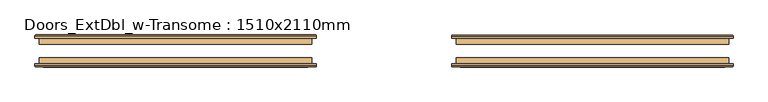
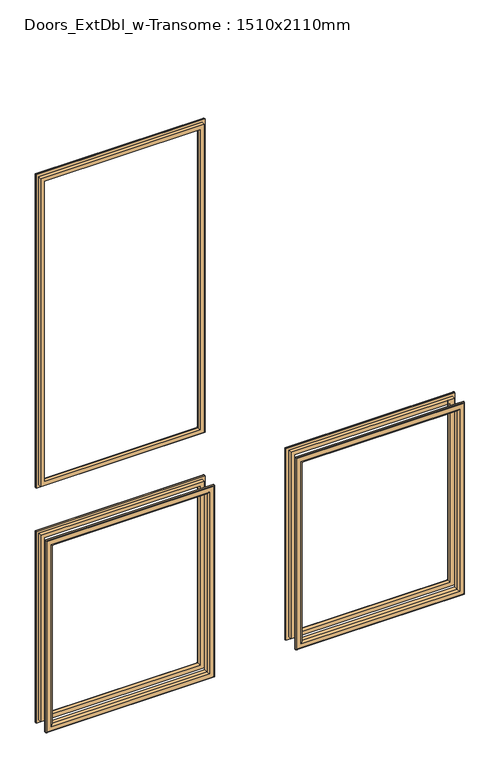
"""IFC4 building model written with IfcOpenShell, lengths in millimetres: door geometry, Doors_ExtDbl_w-Transome : 1510x2110mm."""

from ifc_helpers import new_model, si_unit, frame, origin, place, context, project, spatial, ellipse_curve, source, transform, mapped, element, save
from ifc_brep_helpers import plane_surface, cylinder_surface, advanced_brep


def doors_extdbl_w_transome_1510x2110mm_a8e07d12(model_context):
    return source(origin(), model_context, "Body", "AdvancedBrep", [
        advanced_brep(
        [(-611.5, 89.05, 950.5), (-611.5, 85.05, 950.5), (-611.5, 85.05, 1916.5), (-611.5, 89.05, 1916.5), (-609.5, 91.05, 952.5), (-609.5, 91.05, 1914.5), (-591.5, 86.05, 970.5), (-596.5, 91.05, 965.5), (-596.5, 91.05, 1901.5), (-591.5, 86.05, 1896.5), (-591.5, 75.05, 970.5), (-591.5, 75.05, 1896.5), (-603.5, 85.05, 958.5), (-603.5, 75.05, 958.5), (-603.5, 75.05, 1908.5), (-603.5, 85.05, 1908.5), (-118.5, 85.05, 1916.5), (-118.5, 89.05, 1916.5), (-120.5, 91.05, 1914.5), (-133.5, 91.05, 1901.5), (-138.5, 86.05, 1896.5), (-138.5, 75.05, 1896.5), (-126.5, 75.05, 1908.5), (-126.5, 85.05, 1908.5), (-118.5, 85.05, 950.5), (-118.5, 89.05, 950.5), (-120.5, 91.05, 952.5), (-133.5, 91.05, 965.5), (-138.5, 86.05, 970.5), (-138.5, 75.05, 970.5), (-126.5, 75.05, 958.5), (-126.5, 85.05, 958.5)],
        [
            (0, 1),
            (1, 2),
            (2, 3),
            (3, 0),
            (4, 0, ellipse_curve(frame((-609.5, 89.05, 952.5), z_axis=(-0.7071067811865472, 0.0, 0.7071067811865477), x_axis=(-0.7071067811865477, 0.0, -0.7071067811865475)), 2.8284271, 2.0)),
            (3, 5, ellipse_curve(frame((-609.5, 89.05, 1914.5), z_axis=(-0.7071067811865475, 0.0, -0.7071067811865475), x_axis=(0.7071067811865474, 0.0, -0.7071067811865476)), 2.8284271, 2.0)),
            (5, 4),
            (6, 7, ellipse_curve(frame((-596.5, 86.05, 965.5), z_axis=(-0.7071067811865472, 0.0, 0.7071067811865477), x_axis=(-0.7071067811865477, 0.0, -0.7071067811865475)), 7.0710678, 5.0)),
            (7, 8),
            (8, 9, ellipse_curve(frame((-596.5, 86.05, 1901.5), z_axis=(-0.7071067811865475, 0.0, -0.7071067811865475), x_axis=(0.7071067811865474, 0.0, -0.7071067811865476)), 7.0710678, 5.0)),
            (9, 6),
            (10, 6),
            (9, 11),
            (11, 10),
            (12, 13),
            (13, 14),
            (14, 15),
            (15, 12),
            (2, 16),
            (16, 17),
            (17, 3),
            (17, 18, ellipse_curve(frame((-120.5, 89.05, 1914.5), z_axis=(-0.7071067811865475, 0.0, 0.7071067811865476), x_axis=(-0.7071067811865476, 0.0, -0.7071067811865475)), 2.8284271, 2.0)),
            (18, 5),
            (8, 19),
            (19, 20, ellipse_curve(frame((-133.5, 86.05, 1901.5), z_axis=(-0.7071067811865475, 0.0, 0.7071067811865476), x_axis=(-0.7071067811865476, 0.0, -0.7071067811865475)), 7.0710678, 5.0)),
            (20, 9),
            (20, 21),
            (21, 11),
            (14, 22),
            (22, 23),
            (23, 15),
            (16, 24),
            (24, 25),
            (25, 17),
            (25, 26, ellipse_curve(frame((-120.5, 89.05, 952.5), z_axis=(0.7071067811865477, 0.0, 0.7071067811865471), x_axis=(-0.707106781186547, 0.0, 0.7071067811865481)), 2.8284271, 2.0)),
            (26, 18),
            (19, 27),
            (27, 28, ellipse_curve(frame((-133.5, 86.05, 965.5), z_axis=(0.7071067811865477, 0.0, 0.7071067811865471), x_axis=(-0.707106781186547, 0.0, 0.7071067811865481)), 7.0710678, 5.0)),
            (28, 20),
            (28, 29),
            (29, 21),
            (22, 30),
            (30, 31),
            (31, 23),
            (24, 1),
            (0, 25),
            (4, 26),
            (7, 27),
            (6, 28),
            (10, 29),
            (13, 30),
            (12, 31),
        ],
        [
            plane_surface(frame((-611.5, 85.05, 950.5), z_axis=(-1.0, 0.0, 0.0), x_axis=(0.0, 0.0, 1.0))),
            cylinder_surface(frame((-609.5, 89.05, 958.5), z_axis=(0.0, 0.0, -1.0), x_axis=(-1.0, 0.0, 0.0)), 2.0),
            cylinder_surface(frame((-596.5, 86.05, 958.5), z_axis=(0.0, 0.0, -1.0), x_axis=(-1.0, 0.0, 0.0)), 5.0),
            plane_surface(frame((-591.5, 86.05, 970.5), z_axis=(1.0, 0.0, 0.0), x_axis=(0.0, 0.0, 1.0))),
            plane_surface(frame((-603.5, 75.05, 958.5), z_axis=(-1.0, 0.0, 0.0), x_axis=(0.0, 0.0, 1.0))),
            plane_surface(frame((-611.5, 85.05, 1916.5), z_axis=(0.0, 0.0, 1.0), x_axis=(1.0, 0.0, 0.0))),
            cylinder_surface(frame((-603.5, 89.05, 1914.5), z_axis=(-1.0, 0.0, 0.0), x_axis=(0.0, 0.0, 1.0)), 2.0),
            cylinder_surface(frame((-603.5, 86.05, 1901.5), z_axis=(-1.0, 0.0, 0.0), x_axis=(0.0, 0.0, 1.0)), 5.0),
            plane_surface(frame((-591.5, 86.05, 1896.5), z_axis=(0.0, 0.0, -1.0), x_axis=(1.0, 0.0, 0.0))),
            plane_surface(frame((-603.5, 75.05, 1908.5), z_axis=(0.0, 0.0, 1.0), x_axis=(1.0, 0.0, 0.0))),
            plane_surface(frame((-118.5, 85.05, 1916.5), z_axis=(1.0, 0.0, 0.0), x_axis=(0.0, 0.0, -1.0))),
            cylinder_surface(frame((-120.5, 89.05, 1908.5), z_axis=(0.0, 0.0, 1.0), x_axis=(1.0, 0.0, 0.0)), 2.0),
            cylinder_surface(frame((-133.5, 86.05, 1908.5), z_axis=(0.0, 0.0, 1.0), x_axis=(1.0, 0.0, 0.0)), 5.0),
            plane_surface(frame((-138.5, 86.05, 1896.5), z_axis=(-1.0, 0.0, 0.0), x_axis=(0.0, 0.0, -1.0))),
            plane_surface(frame((-126.5, 75.05, 1908.5), z_axis=(1.0, 0.0, 0.0), x_axis=(0.0, 0.0, -1.0))),
            plane_surface(frame((-118.5, 85.05, 950.5), z_axis=(0.0, 0.0, -1.0), x_axis=(-1.0, 0.0, 0.0))),
            cylinder_surface(frame((-126.5, 89.05, 952.5), z_axis=(1.0, 0.0, 0.0), x_axis=(0.0, 0.0, -1.0)), 2.0),
            plane_surface(frame((-120.5, 91.05, 952.5), z_axis=(0.0, 1.0, 0.0), x_axis=(-1.0, 0.0, 0.0))),
            cylinder_surface(frame((-126.5, 86.05, 965.5), z_axis=(1.0, 0.0, 0.0), x_axis=(0.0, 0.0, -1.0)), 5.0),
            plane_surface(frame((-138.5, 86.05, 970.5), z_axis=(0.0, 0.0, 1.0), x_axis=(-1.0, 0.0, 0.0))),
            plane_surface(frame((-138.5, 75.05, 970.5), z_axis=(0.0, -1.0, 0.0), x_axis=(-1.0, 0.0, 0.0))),
            plane_surface(frame((-126.5, 75.05, 958.5), z_axis=(0.0, 0.0, -1.0), x_axis=(-1.0, 0.0, 0.0))),
            plane_surface(frame((-126.5, 85.05, 958.5), z_axis=(0.0, -1.0, 0.0), x_axis=(-1.0, 0.0, 0.0))),
        ],
        [
            (0, [[1, 2, 3, 4]]),
            (1, [[5, -4, 6, 7]]),
            (2, [[8, 9, 10, 11]]),
            (3, [[12, -11, 13, 14]]),
            (4, [[15, 16, 17, 18]]),
            (5, [[-3, 19, 20, 21]]),
            (6, [[-6, -21, 22, 23]]),
            (7, [[-10, 24, 25, 26]]),
            (8, [[-13, -26, 27, 28]]),
            (9, [[-17, 29, 30, 31]]),
            (10, [[-20, 32, 33, 34]]),
            (11, [[-22, -34, 35, 36]]),
            (12, [[-25, 37, 38, 39]]),
            (13, [[-27, -39, 40, 41]]),
            (14, [[-30, 42, 43, 44]]),
            (15, [[-33, 45, -1, 46]]),
            (16, [[-35, -46, -5, 47]]),
            (17, [[-23, -36, -47, -7], [48, -37, -24, -9]]),
            (18, [[-38, -48, -8, 49]]),
            (19, [[-40, -49, -12, 50]]),
            (20, [[51, -42, -29, -16], [-28, -41, -50, -14]]),
            (21, [[-43, -51, -15, 52]]),
            (22, [[-45, -32, -19, -2], [-31, -44, -52, -18]]),
        ],
    ),
        advanced_brep(
        [(126.5, 75.05, 808.5), (126.5, 85.05, 808.5), (126.5, 85.05, 233.5), (126.5, 75.05, 233.5), (138.5, 86.05, 796.5), (138.5, 75.05, 796.5), (138.5, 75.05, 245.5), (138.5, 86.05, 245.5), (133.5, 91.05, 801.5), (133.5, 91.05, 240.5), (118.5, 89.05, 816.5), (120.5, 91.05, 814.5), (120.5, 91.05, 227.5), (118.5, 89.05, 225.5), (118.5, 85.05, 816.5), (118.5, 85.05, 225.5), (603.5, 85.05, 233.5), (603.5, 75.05, 233.5), (591.5, 75.05, 245.5), (591.5, 86.05, 245.5), (596.5, 91.05, 240.5), (609.5, 91.05, 227.5), (611.5, 89.05, 225.5), (611.5, 85.05, 225.5), (603.5, 85.05, 808.5), (603.5, 75.05, 808.5), (591.5, 75.05, 796.5), (591.5, 86.05, 796.5), (596.5, 91.05, 801.5), (609.5, 91.05, 814.5), (611.5, 89.05, 816.5), (611.5, 85.05, 816.5)],
        [
            (0, 1),
            (1, 2),
            (2, 3),
            (3, 0),
            (4, 5),
            (5, 6),
            (6, 7),
            (7, 4),
            (8, 4, ellipse_curve(frame((133.5, 86.05, 801.5), z_axis=(-0.7071067811865475, 0.0, -0.7071067811865475), x_axis=(-0.7071067811865474, 0.0, 0.7071067811865476)), 7.0710678, 5.0)),
            (7, 9, ellipse_curve(frame((133.5, 86.05, 240.5), z_axis=(-0.7071067811865475, 0.0, 0.7071067811865476), x_axis=(0.7071067811865476, 0.0, 0.7071067811865475)), 7.0710678, 5.0)),
            (9, 8),
            (10, 11, ellipse_curve(frame((120.5, 89.05, 814.5), z_axis=(-0.7071067811865475, 0.0, -0.7071067811865475), x_axis=(-0.7071067811865474, 0.0, 0.7071067811865476)), 2.8284271, 2.0)),
            (11, 12),
            (12, 13, ellipse_curve(frame((120.5, 89.05, 227.5), z_axis=(-0.7071067811865475, 0.0, 0.7071067811865476), x_axis=(0.7071067811865476, 0.0, 0.7071067811865475)), 2.8284271, 2.0)),
            (13, 10),
            (14, 10),
            (13, 15),
            (15, 14),
            (2, 16),
            (16, 17),
            (17, 3),
            (6, 18),
            (18, 19),
            (19, 7),
            (19, 20, ellipse_curve(frame((596.5, 86.05, 240.5), z_axis=(-0.7071067811865476, 0.0, -0.7071067811865475), x_axis=(-0.7071067811865475, 0.0, 0.7071067811865476)), 7.0710678, 5.0)),
            (20, 9),
            (12, 21),
            (21, 22, ellipse_curve(frame((609.5, 89.05, 227.5), z_axis=(-0.7071067811865476, 0.0, -0.7071067811865475), x_axis=(-0.7071067811865475, 0.0, 0.7071067811865476)), 2.8284271, 2.0)),
            (22, 13),
            (22, 23),
            (23, 15),
            (16, 24),
            (24, 25),
            (25, 17),
            (18, 26),
            (26, 27),
            (27, 19),
            (27, 28, ellipse_curve(frame((596.5, 86.05, 801.5), z_axis=(0.7071067811865475, 0.0, -0.7071067811865475), x_axis=(-0.7071067811865474, 0.0, -0.7071067811865476)), 7.0710678, 5.0)),
            (28, 20),
            (21, 29),
            (29, 30, ellipse_curve(frame((609.5, 89.05, 814.5), z_axis=(0.7071067811865475, 0.0, -0.7071067811865475), x_axis=(-0.7071067811865474, 0.0, -0.7071067811865476)), 2.8284271, 2.0)),
            (30, 22),
            (30, 31),
            (31, 23),
            (31, 14),
            (1, 24),
            (0, 25),
            (5, 26),
            (4, 27),
            (8, 28),
            (11, 29),
            (10, 30),
        ],
        [
            plane_surface(frame((126.5, 85.05, 808.5), z_axis=(-1.0, 0.0, 0.0), x_axis=(0.0, 0.0, -1.0))),
            plane_surface(frame((138.5, 75.05, 796.5), z_axis=(1.0, 0.0, 0.0), x_axis=(0.0, 0.0, -1.0))),
            cylinder_surface(frame((133.5, 86.05, 808.5), z_axis=(0.0, 0.0, 1.0), x_axis=(-1.0, 0.0, 0.0)), 5.0),
            cylinder_surface(frame((120.5, 89.05, 808.5), z_axis=(0.0, 0.0, 1.0), x_axis=(-1.0, 0.0, 0.0)), 2.0),
            plane_surface(frame((118.5, 89.05, 816.5), z_axis=(-1.0, 0.0, 0.0), x_axis=(0.0, 0.0, -1.0))),
            plane_surface(frame((126.5, 85.05, 233.5), z_axis=(0.0, 0.0, -1.0), x_axis=(1.0, 0.0, 0.0))),
            plane_surface(frame((138.5, 75.05, 245.5), z_axis=(0.0, 0.0, 1.0), x_axis=(1.0, 0.0, 0.0))),
            cylinder_surface(frame((126.5, 86.05, 240.5), z_axis=(-1.0, 0.0, 0.0), x_axis=(0.0, 0.0, -1.0)), 5.0),
            cylinder_surface(frame((126.5, 89.05, 227.5), z_axis=(-1.0, 0.0, 0.0), x_axis=(0.0, 0.0, -1.0)), 2.0),
            plane_surface(frame((118.5, 89.05, 225.5), z_axis=(0.0, 0.0, -1.0), x_axis=(1.0, 0.0, 0.0))),
            plane_surface(frame((603.5, 85.05, 233.5), z_axis=(1.0, 0.0, 0.0), x_axis=(0.0, 0.0, 1.0))),
            plane_surface(frame((591.5, 75.05, 245.5), z_axis=(-1.0, 0.0, 0.0), x_axis=(0.0, 0.0, 1.0))),
            cylinder_surface(frame((596.5, 86.05, 233.5), z_axis=(0.0, 0.0, -1.0), x_axis=(1.0, 0.0, 0.0)), 5.0),
            cylinder_surface(frame((609.5, 89.05, 233.5), z_axis=(0.0, 0.0, -1.0), x_axis=(1.0, 0.0, 0.0)), 2.0),
            plane_surface(frame((611.5, 89.05, 225.5), z_axis=(1.0, 0.0, 0.0), x_axis=(0.0, 0.0, 1.0))),
            plane_surface(frame((611.5, 85.05, 816.5), z_axis=(0.0, -1.0, 0.0), x_axis=(-1.0, 0.0, 0.0))),
            plane_surface(frame((603.5, 85.05, 808.5), z_axis=(0.0, 0.0, 1.0), x_axis=(-1.0, 0.0, 0.0))),
            plane_surface(frame((603.5, 75.05, 808.5), z_axis=(0.0, -1.0, 0.0), x_axis=(-1.0, 0.0, 0.0))),
            plane_surface(frame((591.5, 75.05, 796.5), z_axis=(0.0, 0.0, -1.0), x_axis=(-1.0, 0.0, 0.0))),
            cylinder_surface(frame((603.5, 86.05, 801.5), z_axis=(1.0, 0.0, 0.0), x_axis=(0.0, 0.0, 1.0)), 5.0),
            plane_surface(frame((596.5, 91.05, 801.5), z_axis=(0.0, 1.0, 0.0), x_axis=(-1.0, 0.0, 0.0))),
            cylinder_surface(frame((603.5, 89.05, 814.5), z_axis=(1.0, 0.0, 0.0), x_axis=(0.0, 0.0, 1.0)), 2.0),
            plane_surface(frame((611.5, 89.05, 816.5), z_axis=(0.0, 0.0, 1.0), x_axis=(-1.0, 0.0, 0.0))),
        ],
        [
            (0, [[1, 2, 3, 4]]),
            (1, [[5, 6, 7, 8]]),
            (2, [[9, -8, 10, 11]]),
            (3, [[12, 13, 14, 15]]),
            (4, [[16, -15, 17, 18]]),
            (5, [[-3, 19, 20, 21]]),
            (6, [[-7, 22, 23, 24]]),
            (7, [[-10, -24, 25, 26]]),
            (8, [[-14, 27, 28, 29]]),
            (9, [[-17, -29, 30, 31]]),
            (10, [[-20, 32, 33, 34]]),
            (11, [[-23, 35, 36, 37]]),
            (12, [[-25, -37, 38, 39]]),
            (13, [[-28, 40, 41, 42]]),
            (14, [[-30, -42, 43, 44]]),
            (15, [[-31, -44, 45, -18], [46, -32, -19, -2]]),
            (16, [[-33, -46, -1, 47]]),
            (17, [[-21, -34, -47, -4], [48, -35, -22, -6]]),
            (18, [[-36, -48, -5, 49]]),
            (19, [[-38, -49, -9, 50]]),
            (20, [[51, -40, -27, -13], [-26, -39, -50, -11]]),
            (21, [[-41, -51, -12, 52]]),
            (22, [[-43, -52, -16, -45]]),
        ],
    ),
        advanced_brep(
        [(603.5, 51.05, 808.5), (603.5, 41.05, 808.5), (603.5, 41.05, 233.5), (603.5, 51.05, 233.5), (591.5, 40.05, 796.5), (591.5, 51.05, 796.5), (591.5, 51.05, 245.5), (591.5, 40.05, 245.5), (596.5, 35.05, 801.5), (596.5, 35.05, 240.5), (611.5, 37.05, 816.5), (609.5, 35.05, 814.5), (609.5, 35.05, 227.5), (611.5, 37.05, 225.5), (611.5, 41.05, 816.5), (611.5, 41.05, 225.5), (126.5, 41.05, 233.5), (126.5, 51.05, 233.5), (138.5, 51.05, 245.5), (138.5, 40.05, 245.5), (133.5, 35.05, 240.5), (120.5, 35.05, 227.5), (118.5, 37.05, 225.5), (118.5, 41.05, 225.5), (126.5, 41.05, 808.5), (126.5, 51.05, 808.5), (138.5, 51.05, 796.5), (138.5, 40.05, 796.5), (133.5, 35.05, 801.5), (120.5, 35.05, 814.5), (118.5, 37.05, 816.5), (118.5, 41.05, 816.5)],
        [
            (0, 1),
            (1, 2),
            (2, 3),
            (3, 0),
            (4, 5),
            (5, 6),
            (6, 7),
            (7, 4),
            (8, 4, ellipse_curve(frame((596.5, 40.05, 801.5), z_axis=(0.707106781186552, 0.0, -0.707106781186543), x_axis=(0.7071067811865429, 0.0, 0.707106781186552)), 7.0710678, 5.0)),
            (7, 9, ellipse_curve(frame((596.5, 40.05, 240.5), z_axis=(0.707106781186543, 0.0, 0.707106781186552), x_axis=(-0.707106781186552, 0.0, 0.707106781186543)), 7.0710678, 5.0)),
            (9, 8),
            (10, 11, ellipse_curve(frame((609.5, 37.05, 814.5), z_axis=(0.707106781186552, 0.0, -0.707106781186543), x_axis=(0.7071067811865429, 0.0, 0.707106781186552)), 2.8284271, 2.0)),
            (11, 12),
            (12, 13, ellipse_curve(frame((609.5, 37.05, 227.5), z_axis=(0.707106781186543, 0.0, 0.707106781186552), x_axis=(-0.707106781186552, 0.0, 0.707106781186543)), 2.8284271, 2.0)),
            (13, 10),
            (14, 10),
            (13, 15),
            (15, 14),
            (2, 16),
            (16, 17),
            (17, 3),
            (6, 18),
            (18, 19),
            (19, 7),
            (19, 20, ellipse_curve(frame((133.5, 40.05, 240.5), z_axis=(0.707106781186552, 0.0, -0.707106781186543), x_axis=(0.707106781186543, 0.0, 0.707106781186552)), 7.0710678, 5.0)),
            (20, 9),
            (12, 21),
            (21, 22, ellipse_curve(frame((120.5, 37.05, 227.5), z_axis=(0.707106781186552, 0.0, -0.707106781186543), x_axis=(0.707106781186543, 0.0, 0.707106781186552)), 2.8284271, 2.0)),
            (22, 13),
            (22, 23),
            (23, 15),
            (16, 24),
            (24, 25),
            (25, 17),
            (18, 26),
            (26, 27),
            (27, 19),
            (27, 28, ellipse_curve(frame((133.5, 40.05, 801.5), z_axis=(-0.707106781186543, 0.0, -0.707106781186552), x_axis=(0.707106781186552, 0.0, -0.707106781186543)), 7.0710678, 5.0)),
            (28, 20),
            (21, 29),
            (29, 30, ellipse_curve(frame((120.5, 37.05, 814.5), z_axis=(-0.707106781186543, 0.0, -0.707106781186552), x_axis=(0.707106781186552, 0.0, -0.707106781186543)), 2.8284271, 2.0)),
            (30, 22),
            (30, 31),
            (31, 23),
            (31, 14),
            (1, 24),
            (0, 25),
            (5, 26),
            (4, 27),
            (8, 28),
            (11, 29),
            (10, 30),
        ],
        [
            plane_surface(frame((603.5, 41.05, 808.5), z_axis=(1.0, 0.0, 0.0), x_axis=(0.0, 0.0, -1.0))),
            plane_surface(frame((591.5, 51.05, 796.5), z_axis=(-1.0, 0.0, 0.0), x_axis=(0.0, 0.0, -1.0))),
            cylinder_surface(frame((596.5, 40.05, 808.5), z_axis=(0.0, 0.0, 1.0), x_axis=(1.0, 0.0, 0.0)), 5.0),
            cylinder_surface(frame((609.5, 37.05, 808.5), z_axis=(0.0, 0.0, 1.0), x_axis=(1.0, 0.0, 0.0)), 2.0),
            plane_surface(frame((611.5, 37.05, 816.5), z_axis=(1.0, 0.0, 0.0), x_axis=(0.0, 0.0, -1.0))),
            plane_surface(frame((603.5, 41.05, 233.5), z_axis=(0.0, 0.0, -1.0), x_axis=(-1.0, 0.0, 0.0))),
            plane_surface(frame((591.5, 51.05, 245.5), z_axis=(0.0, 0.0, 1.0), x_axis=(-1.0, 0.0, 0.0))),
            cylinder_surface(frame((603.5, 40.05, 240.5), z_axis=(1.0, 0.0, 0.0), x_axis=(0.0, 0.0, -1.0)), 5.0),
            cylinder_surface(frame((603.5, 37.05, 227.5), z_axis=(1.0, 0.0, 0.0), x_axis=(0.0, 0.0, -1.0)), 2.0),
            plane_surface(frame((611.5, 37.05, 225.5), z_axis=(0.0, 0.0, -1.0), x_axis=(-1.0, 0.0, 0.0))),
            plane_surface(frame((126.5, 41.05, 233.5), z_axis=(-1.0, 0.0, 0.0), x_axis=(0.0, 0.0, 1.0))),
            plane_surface(frame((138.5, 51.05, 245.5), z_axis=(1.0, 0.0, 0.0), x_axis=(0.0, 0.0, 1.0))),
            cylinder_surface(frame((133.5, 40.05, 233.5), z_axis=(0.0, 0.0, -1.0), x_axis=(-1.0, 0.0, 0.0)), 5.0),
            cylinder_surface(frame((120.5, 37.05, 233.5), z_axis=(0.0, 0.0, -1.0), x_axis=(-1.0, 0.0, 0.0)), 2.0),
            plane_surface(frame((118.5, 37.05, 225.5), z_axis=(-1.0, 0.0, 0.0), x_axis=(0.0, 0.0, 1.0))),
            plane_surface(frame((118.5, 41.05, 816.5), z_axis=(0.0, 1.0, 0.0), x_axis=(1.0, 0.0, 0.0))),
            plane_surface(frame((126.5, 41.05, 808.5), z_axis=(0.0, 0.0, 1.0), x_axis=(1.0, 0.0, 0.0))),
            plane_surface(frame((126.5, 51.05, 808.5), z_axis=(0.0, 1.0, 0.0), x_axis=(1.0, 0.0, 0.0))),
            plane_surface(frame((138.5, 51.05, 796.5), z_axis=(0.0, 0.0, -1.0), x_axis=(1.0, 0.0, 0.0))),
            cylinder_surface(frame((126.5, 40.05, 801.5), z_axis=(-1.0, 0.0, 0.0), x_axis=(0.0, 0.0, 1.0)), 5.0),
            plane_surface(frame((133.5, 35.05, 801.5), z_axis=(0.0, -1.0, 0.0), x_axis=(1.0, 0.0, 0.0))),
            cylinder_surface(frame((126.5, 37.05, 814.5), z_axis=(-1.0, 0.0, 0.0), x_axis=(0.0, 0.0, 1.0)), 2.0),
            plane_surface(frame((118.5, 37.05, 816.5), z_axis=(0.0, 0.0, 1.0), x_axis=(1.0, 0.0, 0.0))),
        ],
        [
            (0, [[1, 2, 3, 4]]),
            (1, [[5, 6, 7, 8]]),
            (2, [[9, -8, 10, 11]]),
            (3, [[12, 13, 14, 15]]),
            (4, [[16, -15, 17, 18]]),
            (5, [[-3, 19, 20, 21]]),
            (6, [[-7, 22, 23, 24]]),
            (7, [[-10, -24, 25, 26]]),
            (8, [[-14, 27, 28, 29]]),
            (9, [[-17, -29, 30, 31]]),
            (10, [[-20, 32, 33, 34]]),
            (11, [[-23, 35, 36, 37]]),
            (12, [[-25, -37, 38, 39]]),
            (13, [[-28, 40, 41, 42]]),
            (14, [[-30, -42, 43, 44]]),
            (15, [[-31, -44, 45, -18], [46, -32, -19, -2]]),
            (16, [[-33, -46, -1, 47]]),
            (17, [[-21, -34, -47, -4], [48, -35, -22, -6]]),
            (18, [[-36, -48, -5, 49]]),
            (19, [[-38, -49, -9, 50]]),
            (20, [[51, -40, -27, -13], [-26, -39, -50, -11]]),
            (21, [[-41, -51, -12, 52]]),
            (22, [[-43, -52, -16, -45]]),
        ],
    ),
        advanced_brep(
        [(-603.5, 75.05, 808.5), (-603.5, 85.05, 808.5), (-603.5, 85.05, 233.5), (-603.5, 75.05, 233.5), (-591.5, 86.05, 796.5), (-591.5, 75.05, 796.5), (-591.5, 75.05, 245.5), (-591.5, 86.05, 245.5), (-596.5, 91.05, 801.5), (-596.5, 91.05, 240.5), (-611.5, 89.05, 816.5), (-609.5, 91.05, 814.5), (-609.5, 91.05, 227.5), (-611.5, 89.05, 225.5), (-611.5, 85.05, 816.5), (-611.5, 85.05, 225.5), (-126.5, 85.05, 233.5), (-126.5, 75.05, 233.5), (-138.5, 75.05, 245.5), (-138.5, 86.05, 245.5), (-133.5, 91.05, 240.5), (-120.5, 91.05, 227.5), (-118.5, 89.05, 225.5), (-118.5, 85.05, 225.5), (-126.5, 85.05, 808.5), (-126.5, 75.05, 808.5), (-138.5, 75.05, 796.5), (-138.5, 86.05, 796.5), (-133.5, 91.05, 801.5), (-120.5, 91.05, 814.5), (-118.5, 89.05, 816.5), (-118.5, 85.05, 816.5)],
        [
            (0, 1),
            (1, 2),
            (2, 3),
            (3, 0),
            (4, 5),
            (5, 6),
            (6, 7),
            (7, 4),
            (8, 4, ellipse_curve(frame((-596.5, 86.05, 801.5), z_axis=(-0.7071067811865477, 0.0, -0.7071067811865472), x_axis=(-0.7071067811865471, 0.0, 0.7071067811865478)), 7.0710678, 5.0)),
            (7, 9, ellipse_curve(frame((-596.5, 86.05, 240.5), z_axis=(-0.7071067811865472, 0.0, 0.7071067811865477), x_axis=(0.7071067811865476, 0.0, 0.7071067811865475)), 7.0710678, 5.0)),
            (9, 8),
            (10, 11, ellipse_curve(frame((-609.5, 89.05, 814.5), z_axis=(-0.7071067811865477, 0.0, -0.7071067811865472), x_axis=(-0.7071067811865471, 0.0, 0.7071067811865478)), 2.8284271, 2.0)),
            (11, 12),
            (12, 13, ellipse_curve(frame((-609.5, 89.05, 227.5), z_axis=(-0.7071067811865472, 0.0, 0.7071067811865477), x_axis=(0.7071067811865476, 0.0, 0.7071067811865475)), 2.8284271, 2.0)),
            (13, 10),
            (14, 10),
            (13, 15),
            (15, 14),
            (2, 16),
            (16, 17),
            (17, 3),
            (6, 18),
            (18, 19),
            (19, 7),
            (19, 20, ellipse_curve(frame((-133.5, 86.05, 240.5), z_axis=(-0.7071067811865477, 0.0, -0.7071067811865474), x_axis=(-0.7071067811865474, 0.0, 0.7071067811865478)), 7.0710678, 5.0)),
            (20, 9),
            (12, 21),
            (21, 22, ellipse_curve(frame((-120.5, 89.05, 227.5), z_axis=(-0.7071067811865477, 0.0, -0.7071067811865474), x_axis=(-0.7071067811865474, 0.0, 0.7071067811865478)), 2.8284271, 2.0)),
            (22, 13),
            (22, 23),
            (23, 15),
            (16, 24),
            (24, 25),
            (25, 17),
            (18, 26),
            (26, 27),
            (27, 19),
            (27, 28, ellipse_curve(frame((-133.5, 86.05, 801.5), z_axis=(0.7071067811865474, 0.0, -0.7071067811865478), x_axis=(-0.7071067811865479, 0.0, -0.7071067811865471)), 7.0710678, 5.0)),
            (28, 20),
            (21, 29),
            (29, 30, ellipse_curve(frame((-120.5, 89.05, 814.5), z_axis=(0.7071067811865474, 0.0, -0.7071067811865478), x_axis=(-0.7071067811865479, 0.0, -0.7071067811865471)), 2.8284271, 2.0)),
            (30, 22),
            (30, 31),
            (31, 23),
            (31, 14),
            (1, 24),
            (0, 25),
            (5, 26),
            (4, 27),
            (8, 28),
            (11, 29),
            (10, 30),
        ],
        [
            plane_surface(frame((-603.5, 85.05, 808.5), z_axis=(-1.0, 0.0, 0.0), x_axis=(0.0, 0.0, -1.0))),
            plane_surface(frame((-591.5, 75.05, 796.5), z_axis=(1.0, 0.0, 0.0), x_axis=(0.0, 0.0, -1.0))),
            cylinder_surface(frame((-596.5, 86.05, 808.5), z_axis=(0.0, 0.0, 1.0), x_axis=(-1.0, 0.0, 0.0)), 5.0),
            cylinder_surface(frame((-609.5, 89.05, 808.5), z_axis=(0.0, 0.0, 1.0), x_axis=(-1.0, 0.0, 0.0)), 2.0),
            plane_surface(frame((-611.5, 89.05, 816.5), z_axis=(-1.0, 0.0, 0.0), x_axis=(0.0, 0.0, -1.0))),
            plane_surface(frame((-603.5, 85.05, 233.5), z_axis=(0.0, 0.0, -1.0), x_axis=(1.0, 0.0, 0.0))),
            plane_surface(frame((-591.5, 75.05, 245.5), z_axis=(0.0, 0.0, 1.0), x_axis=(1.0, 0.0, 0.0))),
            cylinder_surface(frame((-603.5, 86.05, 240.5), z_axis=(-1.0, 0.0, 0.0), x_axis=(0.0, 0.0, -1.0)), 5.0),
            cylinder_surface(frame((-603.5, 89.05, 227.5), z_axis=(-1.0, 0.0, 0.0), x_axis=(0.0, 0.0, -1.0)), 2.0),
            plane_surface(frame((-611.5, 89.05, 225.5), z_axis=(0.0, 0.0, -1.0), x_axis=(1.0, 0.0, 0.0))),
            plane_surface(frame((-126.5, 85.05, 233.5), z_axis=(1.0, 0.0, 0.0), x_axis=(0.0, 0.0, 1.0))),
            plane_surface(frame((-138.5, 75.05, 245.5), z_axis=(-1.0, 0.0, 0.0), x_axis=(0.0, 0.0, 1.0))),
            cylinder_surface(frame((-133.5, 86.05, 233.5), z_axis=(0.0, 0.0, -1.0), x_axis=(1.0, 0.0, 0.0)), 5.0),
            cylinder_surface(frame((-120.5, 89.05, 233.5), z_axis=(0.0, 0.0, -1.0), x_axis=(1.0, 0.0, 0.0)), 2.0),
            plane_surface(frame((-118.5, 89.05, 225.5), z_axis=(1.0, 0.0, 0.0), x_axis=(0.0, 0.0, 1.0))),
            plane_surface(frame((-118.5, 85.05, 816.5), z_axis=(0.0, -1.0, 0.0), x_axis=(-1.0, 0.0, 0.0))),
            plane_surface(frame((-126.5, 85.05, 808.5), z_axis=(0.0, 0.0, 1.0), x_axis=(-1.0, 0.0, 0.0))),
            plane_surface(frame((-126.5, 75.05, 808.5), z_axis=(0.0, -1.0, 0.0), x_axis=(-1.0, 0.0, 0.0))),
            plane_surface(frame((-138.5, 75.05, 796.5), z_axis=(0.0, 0.0, -1.0), x_axis=(-1.0, 0.0, 0.0))),
            cylinder_surface(frame((-126.5, 86.05, 801.5), z_axis=(1.0, 0.0, 0.0), x_axis=(0.0, 0.0, 1.0)), 5.0),
            plane_surface(frame((-133.5, 91.05, 801.5), z_axis=(0.0, 1.0, 0.0), x_axis=(-1.0, 0.0, 0.0))),
            cylinder_surface(frame((-126.5, 89.05, 814.5), z_axis=(1.0, 0.0, 0.0), x_axis=(0.0, 0.0, 1.0)), 2.0),
            plane_surface(frame((-118.5, 89.05, 816.5), z_axis=(0.0, 0.0, 1.0), x_axis=(-1.0, 0.0, 0.0))),
        ],
        [
            (0, [[1, 2, 3, 4]]),
            (1, [[5, 6, 7, 8]]),
            (2, [[9, -8, 10, 11]]),
            (3, [[12, 13, 14, 15]]),
            (4, [[16, -15, 17, 18]]),
            (5, [[-3, 19, 20, 21]]),
            (6, [[-7, 22, 23, 24]]),
            (7, [[-10, -24, 25, 26]]),
            (8, [[-14, 27, 28, 29]]),
            (9, [[-17, -29, 30, 31]]),
            (10, [[-20, 32, 33, 34]]),
            (11, [[-23, 35, 36, 37]]),
            (12, [[-25, -37, 38, 39]]),
            (13, [[-28, 40, 41, 42]]),
            (14, [[-30, -42, 43, 44]]),
            (15, [[-31, -44, 45, -18], [46, -32, -19, -2]]),
            (16, [[-33, -46, -1, 47]]),
            (17, [[-21, -34, -47, -4], [48, -35, -22, -6]]),
            (18, [[-36, -48, -5, 49]]),
            (19, [[-38, -49, -9, 50]]),
            (20, [[51, -40, -27, -13], [-26, -39, -50, -11]]),
            (21, [[-41, -51, -12, 52]]),
            (22, [[-43, -52, -16, -45]]),
        ],
    ),
        advanced_brep(
        [(-126.5, 51.05, 808.5), (-126.5, 41.05, 808.5), (-126.5, 41.05, 233.5), (-126.5, 51.05, 233.5), (-138.5, 40.05, 796.5), (-138.5, 51.05, 796.5), (-138.5, 51.05, 245.5), (-138.5, 40.05, 245.5), (-133.5, 35.05, 801.5), (-133.5, 35.05, 240.5), (-118.5, 37.05, 816.5), (-120.5, 35.05, 814.5), (-120.5, 35.05, 227.5), (-118.5, 37.05, 225.5), (-118.5, 41.05, 816.5), (-118.5, 41.05, 225.5), (-603.5, 41.05, 233.5), (-603.5, 51.05, 233.5), (-591.5, 51.05, 245.5), (-591.5, 40.05, 245.5), (-596.5, 35.05, 240.5), (-609.5, 35.05, 227.5), (-611.5, 37.05, 225.5), (-611.5, 41.05, 225.5), (-603.5, 41.05, 808.5), (-603.5, 51.05, 808.5), (-591.5, 51.05, 796.5), (-591.5, 40.05, 796.5), (-596.5, 35.05, 801.5), (-609.5, 35.05, 814.5), (-611.5, 37.05, 816.5), (-611.5, 41.05, 816.5)],
        [
            (0, 1),
            (1, 2),
            (2, 3),
            (3, 0),
            (4, 5),
            (5, 6),
            (6, 7),
            (7, 4),
            (8, 4, ellipse_curve(frame((-133.5, 40.05, 801.5), z_axis=(0.707106781186552, 0.0, -0.7071067811865429), x_axis=(0.7071067811865428, 0.0, 0.7071067811865521)), 7.0710678, 5.0)),
            (7, 9, ellipse_curve(frame((-133.5, 40.05, 240.5), z_axis=(0.7071067811865431, 0.0, 0.707106781186552), x_axis=(-0.7071067811865521, 0.0, 0.7071067811865429)), 7.0710678, 5.0)),
            (9, 8),
            (10, 11, ellipse_curve(frame((-120.5, 37.05, 814.5), z_axis=(0.707106781186552, 0.0, -0.7071067811865429), x_axis=(0.7071067811865428, 0.0, 0.7071067811865521)), 2.8284271, 2.0)),
            (11, 12),
            (12, 13, ellipse_curve(frame((-120.5, 37.05, 227.5), z_axis=(0.7071067811865431, 0.0, 0.707106781186552), x_axis=(-0.7071067811865521, 0.0, 0.7071067811865429)), 2.8284271, 2.0)),
            (13, 10),
            (14, 10),
            (13, 15),
            (15, 14),
            (2, 16),
            (16, 17),
            (17, 3),
            (6, 18),
            (18, 19),
            (19, 7),
            (19, 20, ellipse_curve(frame((-596.5, 40.05, 240.5), z_axis=(0.707106781186552, 0.0, -0.7071067811865429), x_axis=(0.707106781186543, 0.0, 0.707106781186552)), 7.0710678, 5.0)),
            (20, 9),
            (12, 21),
            (21, 22, ellipse_curve(frame((-609.5, 37.05, 227.5), z_axis=(0.707106781186552, 0.0, -0.7071067811865429), x_axis=(0.707106781186543, 0.0, 0.707106781186552)), 2.8284271, 2.0)),
            (22, 13),
            (22, 23),
            (23, 15),
            (16, 24),
            (24, 25),
            (25, 17),
            (18, 26),
            (26, 27),
            (27, 19),
            (27, 28, ellipse_curve(frame((-596.5, 40.05, 801.5), z_axis=(-0.7071067811865429, 0.0, -0.7071067811865521), x_axis=(0.7071067811865521, 0.0, -0.7071067811865429)), 7.0710678, 5.0)),
            (28, 20),
            (21, 29),
            (29, 30, ellipse_curve(frame((-609.5, 37.05, 814.5), z_axis=(-0.7071067811865429, 0.0, -0.7071067811865521), x_axis=(0.7071067811865521, 0.0, -0.7071067811865429)), 2.8284271, 2.0)),
            (30, 22),
            (30, 31),
            (31, 23),
            (31, 14),
            (1, 24),
            (0, 25),
            (5, 26),
            (4, 27),
            (8, 28),
            (11, 29),
            (10, 30),
        ],
        [
            plane_surface(frame((-126.5, 41.05, 808.5), z_axis=(1.0, 0.0, 0.0), x_axis=(0.0, 0.0, -1.0))),
            plane_surface(frame((-138.5, 51.05, 796.5), z_axis=(-1.0, 0.0, 0.0), x_axis=(0.0, 0.0, -1.0))),
            cylinder_surface(frame((-133.5, 40.05, 808.5), z_axis=(0.0, 0.0, 1.0), x_axis=(1.0, 0.0, 0.0)), 5.0),
            cylinder_surface(frame((-120.5, 37.05, 808.5), z_axis=(0.0, 0.0, 1.0), x_axis=(1.0, 0.0, 0.0)), 2.0),
            plane_surface(frame((-118.5, 37.05, 816.5), z_axis=(1.0, 0.0, 0.0), x_axis=(0.0, 0.0, -1.0))),
            plane_surface(frame((-126.5, 41.05, 233.5), z_axis=(0.0, 0.0, -1.0), x_axis=(-1.0, 0.0, 0.0))),
            plane_surface(frame((-138.5, 51.05, 245.5), z_axis=(0.0, 0.0, 1.0), x_axis=(-1.0, 0.0, 0.0))),
            cylinder_surface(frame((-126.5, 40.05, 240.5), z_axis=(1.0, 0.0, 0.0), x_axis=(0.0, 0.0, -1.0)), 5.0),
            cylinder_surface(frame((-126.5, 37.05, 227.5), z_axis=(1.0, 0.0, 0.0), x_axis=(0.0, 0.0, -1.0)), 2.0),
            plane_surface(frame((-118.5, 37.05, 225.5), z_axis=(0.0, 0.0, -1.0), x_axis=(-1.0, 0.0, 0.0))),
            plane_surface(frame((-603.5, 41.05, 233.5), z_axis=(-1.0, 0.0, 0.0), x_axis=(0.0, 0.0, 1.0))),
            plane_surface(frame((-591.5, 51.05, 245.5), z_axis=(1.0, 0.0, 0.0), x_axis=(0.0, 0.0, 1.0))),
            cylinder_surface(frame((-596.5, 40.05, 233.5), z_axis=(0.0, 0.0, -1.0), x_axis=(-1.0, 0.0, 0.0)), 5.0),
            cylinder_surface(frame((-609.5, 37.05, 233.5), z_axis=(0.0, 0.0, -1.0), x_axis=(-1.0, 0.0, 0.0)), 2.0),
            plane_surface(frame((-611.5, 37.05, 225.5), z_axis=(-1.0, 0.0, 0.0), x_axis=(0.0, 0.0, 1.0))),
            plane_surface(frame((-611.5, 41.05, 816.5), z_axis=(0.0, 1.0, 0.0), x_axis=(1.0, 0.0, 0.0))),
            plane_surface(frame((-603.5, 41.05, 808.5), z_axis=(0.0, 0.0, 1.0), x_axis=(1.0, 0.0, 0.0))),
            plane_surface(frame((-603.5, 51.05, 808.5), z_axis=(0.0, 1.0, 0.0), x_axis=(1.0, 0.0, 0.0))),
            plane_surface(frame((-591.5, 51.05, 796.5), z_axis=(0.0, 0.0, -1.0), x_axis=(1.0, 0.0, 0.0))),
            cylinder_surface(frame((-603.5, 40.05, 801.5), z_axis=(-1.0, 0.0, 0.0), x_axis=(0.0, 0.0, 1.0)), 5.0),
            plane_surface(frame((-596.5, 35.05, 801.5), z_axis=(0.0, -1.0, 0.0), x_axis=(1.0, 0.0, 0.0))),
            cylinder_surface(frame((-603.5, 37.05, 814.5), z_axis=(-1.0, 0.0, 0.0), x_axis=(0.0, 0.0, 1.0)), 2.0),
            plane_surface(frame((-611.5, 37.05, 816.5), z_axis=(0.0, 0.0, 1.0), x_axis=(1.0, 0.0, 0.0))),
        ],
        [
            (0, [[1, 2, 3, 4]]),
            (1, [[5, 6, 7, 8]]),
            (2, [[9, -8, 10, 11]]),
            (3, [[12, 13, 14, 15]]),
            (4, [[16, -15, 17, 18]]),
            (5, [[-3, 19, 20, 21]]),
            (6, [[-7, 22, 23, 24]]),
            (7, [[-10, -24, 25, 26]]),
            (8, [[-14, 27, 28, 29]]),
            (9, [[-17, -29, 30, 31]]),
            (10, [[-20, 32, 33, 34]]),
            (11, [[-23, 35, 36, 37]]),
            (12, [[-25, -37, 38, 39]]),
            (13, [[-28, 40, 41, 42]]),
            (14, [[-30, -42, 43, 44]]),
            (15, [[-31, -44, 45, -18], [46, -32, -19, -2]]),
            (16, [[-33, -46, -1, 47]]),
            (17, [[-21, -34, -47, -4], [48, -35, -22, -6]]),
            (18, [[-36, -48, -5, 49]]),
            (19, [[-38, -49, -9, 50]]),
            (20, [[51, -40, -27, -13], [-26, -39, -50, -11]]),
            (21, [[-41, -51, -12, 52]]),
            (22, [[-43, -52, -16, -45]]),
        ],
    ),
    ])


if __name__ == "__main__":
    model = new_model("IFC4")
    model_context = context("Model", 3, world=origin())
    ifc_project = project(units=[si_unit("LENGTHUNIT", "METRE", prefix="MILLI")], contexts=[model_context])
    site = spatial("IfcSite", under=ifc_project)
    building = spatial("IfcBuilding", under=site)
    placement = place(None, origin())
    doors_extdbl_w_transome_1510x2110mm_shape = doors_extdbl_w_transome_1510x2110mm_a8e07d12(model_context)
    element("IfcDoor", 1, ObjectType="Doors_ExtDbl_w-Transome : 1510x2110mm", at=placement, inside=building, context=model_context, shape_type="MappedRepresentation", body=[
        mapped(doors_extdbl_w_transome_1510x2110mm_shape, transform((0.0, 0.0, 0.0), x_axis=(1.0, 0.0, 0.0), y_axis=(0.0, 1.0, 0.0), z_axis=(0.0, 0.0, 1.0))),
    ])
    save(model, "model.ifc")
